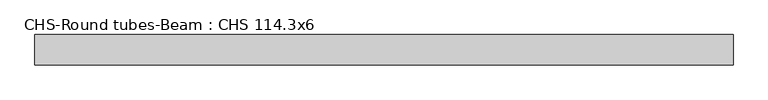
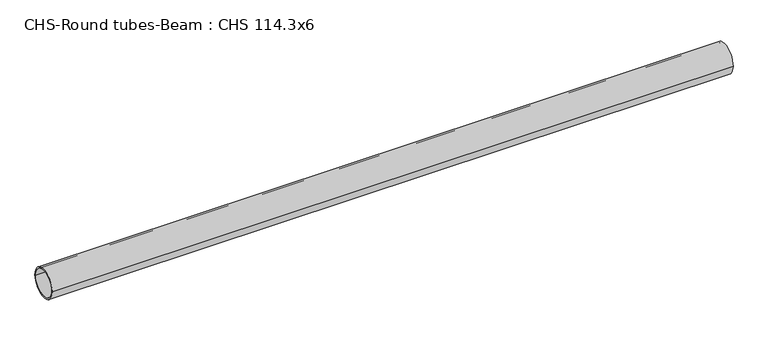
"""IFC4 building model written with IfcOpenShell, lengths in millimetres: beam geometry, CHS-Round tubes-Beam : CHS 114.3x6."""

from ifc_helpers import new_model, si_unit, point, frame, origin, origin_2d, place, context, project, spatial, circle_curve, trimmed, segment, composite_curve, outline, extrude, source, transform, mapped, element, save


def chs_round_tubes_beam_chs_114_3x6_ba06e7b5(model_context):
    return source(origin(), model_context, "Body", "SweptSolid", [
        extrude(outline(composite_curve([segment(trimmed(circle_curve(origin_2d(), 57.15), [point((57.15, 0.0))], [point((-57.15, 0.0))], False, "CARTESIAN"), True, "CONTINUOUS"), segment(trimmed(circle_curve(origin_2d(), 57.15), [point((-57.15, 0.0))], [point((57.15, 0.0))], False, "CARTESIAN"), True, "CONTINUOUS")], self_intersect=False), holes=[composite_curve([segment(trimmed(circle_curve(origin_2d(), 51.15), [point((51.15, 0.0))], [point((-51.15, 0.0))], True, "CARTESIAN"), True, "CONTINUOUS"), segment(trimmed(circle_curve(origin_2d(), 51.15), [point((-51.15, 0.0))], [point((51.15, 0.0))], True, "CARTESIAN"), True, "CONTINUOUS")], self_intersect=False)]), frame((-1308.040813, 0.0, 0.0), z_axis=(1.0, 0.0, 0.0), x_axis=(0.0, 1.0, 0.0)), (0.0, 0.0, 1.0), 2613.6205792),
    ])


if __name__ == "__main__":
    model = new_model("IFC4")
    model_context = context("Model", 3, world=origin())
    ifc_project = project(units=[si_unit("LENGTHUNIT", "METRE", prefix="MILLI")], contexts=[model_context])
    site = spatial("IfcSite", under=ifc_project)
    building = spatial("IfcBuilding", under=site)
    placement = place(None, origin())
    chs_round_tubes_beam_chs_114_3x6_shape = chs_round_tubes_beam_chs_114_3x6_ba06e7b5(model_context)
    element("IfcBeam", 1, ObjectType="CHS-Round tubes-Beam : CHS 114.3x6", at=placement, inside=building, context=model_context, shape_type="MappedRepresentation", body=[
        mapped(chs_round_tubes_beam_chs_114_3x6_shape, transform((0.0, 0.0, 0.0), x_axis=(1.0, 0.0, 0.0), y_axis=(0.0, 1.0, 0.0), z_axis=(0.0, 0.0, 1.0))),
    ])
    save(model, "model.ifc")
